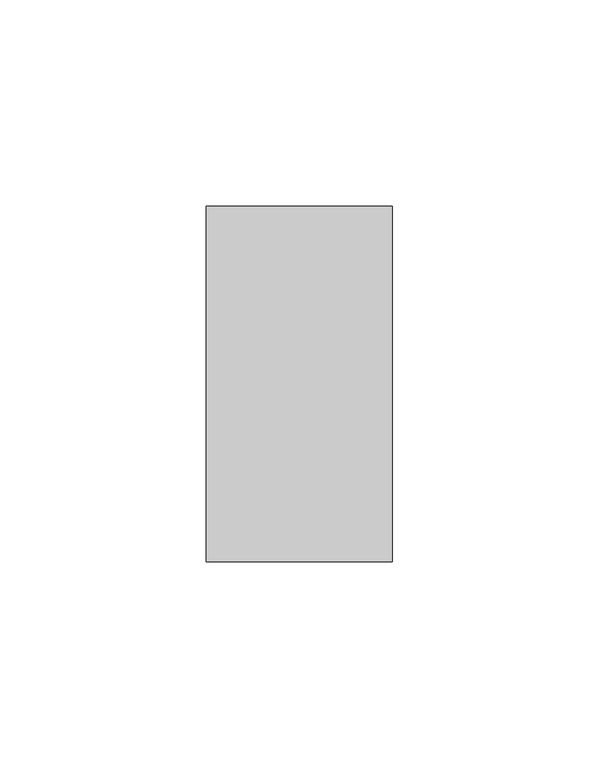
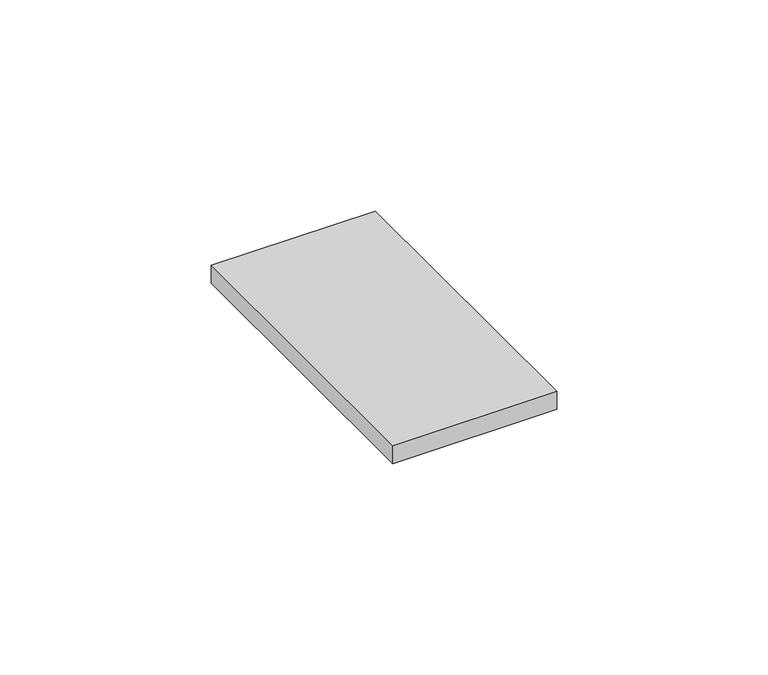
"""IFC4 building model written with IfcOpenShell, lengths in millimetres: proxy geometry."""

from ifc_helpers import new_model, si_unit, frame, origin, place, context, project, spatial, polyline, outline, extrude, source, transform, mapped, element, save


def electrical_fixtures_fa03a270(model_context):
    return source(origin(), model_context, "Body", "SweptSolid", [
        extrude(outline(polyline([(0.0, 0.0), (0.0, 86.0), (45.0, 86.0), (45.0, 0.0), (0.0, 0.0)])), frame((0.0, 0.0, 5.5), z_axis=(0.0, 0.0, 1.0), x_axis=(1.0, 0.0, 0.0)), (0.0, 0.0, 1.0), 5.2),
    ])


if __name__ == "__main__":
    model = new_model("IFC4")
    model_context = context("Model", 3, world=origin())
    ifc_project = project(units=[si_unit("LENGTHUNIT", "METRE", prefix="MILLI")], contexts=[model_context])
    site = spatial("IfcSite", under=ifc_project)
    building = spatial("IfcBuilding", under=site)
    placement = place(None, origin())
    electrical_fixtures_shape = electrical_fixtures_fa03a270(model_context)
    element("IfcBuildingElementProxy", 1, Name="Electrical Fixtures", at=placement, inside=building, context=model_context, shape_type="MappedRepresentation", body=[
        mapped(electrical_fixtures_shape, transform((0.0, 0.0, 0.0), x_axis=(1.0, 0.0, 0.0), y_axis=(0.0, 1.0, 0.0), z_axis=(0.0, 0.0, 1.0))),
    ])
    save(model, "model.ifc")
